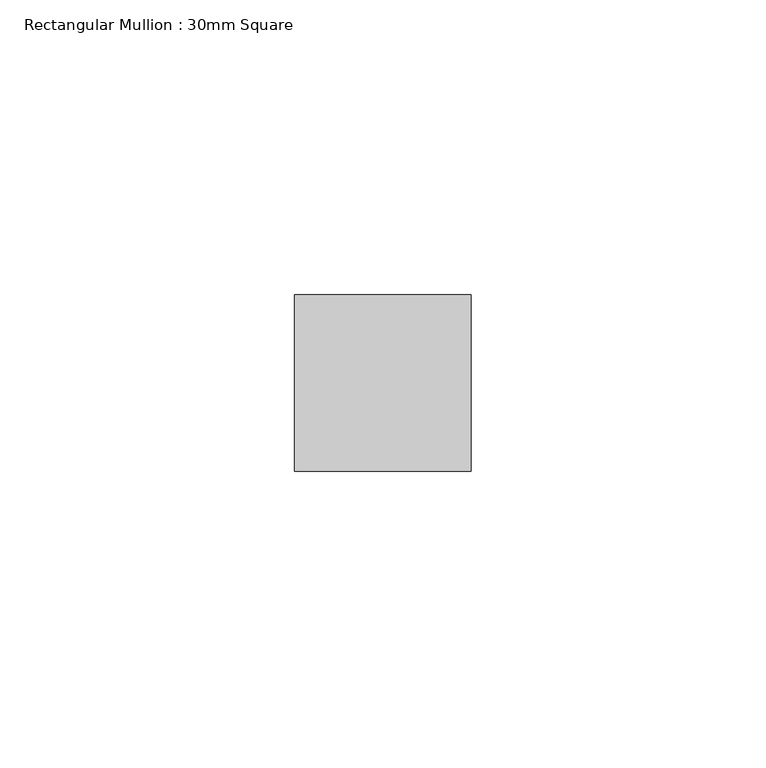
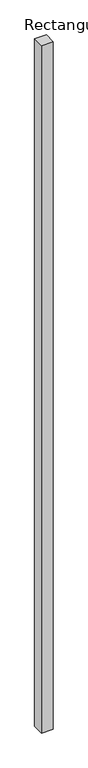
"""IFC4 building model written with IfcOpenShell, lengths in millimetres: member geometry, Rectangular Mullion : 30mm Square."""

from ifc_helpers import new_model, si_unit, frame, origin, place, context, project, spatial, polyline, outline, extrude, source, transform, mapped, element, save


def rectangular_mullion_30mm_square_cea34dcc(model_context):
    return source(origin(), model_context, "Body", "SweptSolid", [
        extrude(outline(polyline([(0.0, 15.0), (0.0, -15.0), (-30.0, -15.0), (-30.0, 15.0), (0.0, 15.0)])), frame((0.0, 0.0, -1859.8179025), z_axis=(0.0, 0.0, 1.0), x_axis=(1.0, 0.0, 0.0)), (0.0, 0.0, 1.0), 1859.8179025),
    ])


if __name__ == "__main__":
    model = new_model("IFC4")
    model_context = context("Model", 3, world=origin())
    ifc_project = project(units=[si_unit("LENGTHUNIT", "METRE", prefix="MILLI")], contexts=[model_context])
    site = spatial("IfcSite", under=ifc_project)
    building = spatial("IfcBuilding", under=site)
    placement = place(None, origin())
    rectangular_mullion_30mm_square_shape = rectangular_mullion_30mm_square_cea34dcc(model_context)
    element("IfcMember", 1, ObjectType="Rectangular Mullion : 30mm Square", at=placement, inside=building, context=model_context, shape_type="MappedRepresentation", body=[
        mapped(rectangular_mullion_30mm_square_shape, transform((0.0, 0.0, 0.0), x_axis=(1.0, 0.0, 0.0), y_axis=(0.0, 1.0, 0.0), z_axis=(0.0, 0.0, 1.0))),
    ])
    save(model, "model.ifc")
